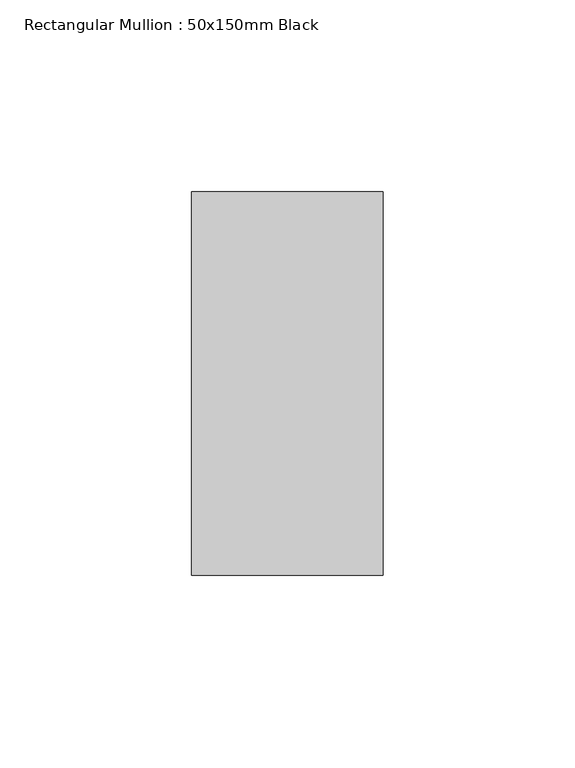
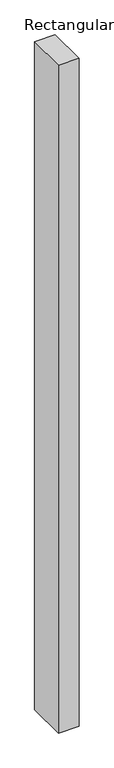
"""IFC4 building model written with IfcOpenShell, lengths in millimetres: member geometry, Rectangular Mullion : 50x150mm Black."""

from ifc_helpers import new_model, si_unit, frame, origin, place, context, project, spatial, polyline, outline, extrude, source, transform, mapped, element, save


def rectangular_mullion_50x150mm_black_2a9b7229(model_context):
    return source(origin(), model_context, "Body", "SweptSolid", [
        extrude(outline(polyline([(0.0, 50.0), (0.0, -50.0), (-50.0, -50.0), (-50.0, 50.0), (0.0, 50.0)])), frame((0.0, 0.0, -1719.6484351), z_axis=(0.0, 0.0, 1.0), x_axis=(1.0, 0.0, 0.0)), (0.0, 0.0, 1.0), 1719.6484351),
    ])


if __name__ == "__main__":
    model = new_model("IFC4")
    model_context = context("Model", 3, world=origin())
    ifc_project = project(units=[si_unit("LENGTHUNIT", "METRE", prefix="MILLI")], contexts=[model_context])
    site = spatial("IfcSite", under=ifc_project)
    building = spatial("IfcBuilding", under=site)
    placement = place(None, origin())
    rectangular_mullion_50x150mm_black_shape = rectangular_mullion_50x150mm_black_2a9b7229(model_context)
    element("IfcMember", 1, ObjectType="Rectangular Mullion : 50x150mm Black", at=placement, inside=building, context=model_context, shape_type="MappedRepresentation", body=[
        mapped(rectangular_mullion_50x150mm_black_shape, transform((0.0, 0.0, 0.0), x_axis=(1.0, 0.0, 0.0), y_axis=(0.0, 1.0, 0.0), z_axis=(0.0, 0.0, 1.0))),
    ])
    save(model, "model.ifc")
